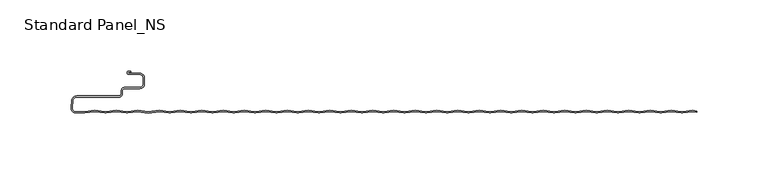
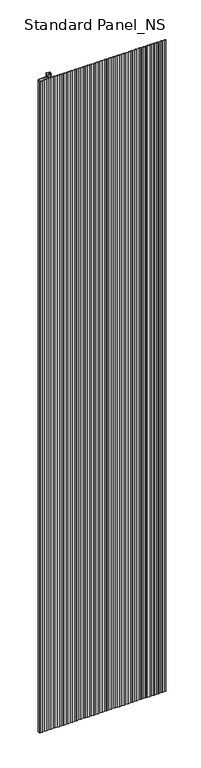
"""IFC4 building model written with IfcOpenShell, lengths in millimetres: proxy geometry, Standard Panel_NS."""

from ifc_helpers import new_model, si_unit, point, frame_2d, origin, origin_with_axes, place, context, project, spatial, polyline, circle_curve, trimmed, segment, composite_curve, outline, extrude, source, transform, mapped, element, save


def standard_panel_ns_a8bc272b(model_context):
    return source(origin(), model_context, "Body", "SweptSolid", [
        extrude(outline(composite_curve([segment(polyline([(200.9757266, -48.2311894), (203.9042607, -48.6216606), (203.9042607, -49.4287404), (200.9757266, -49.0382692), (194.0477998, -49.9619928)]), True, "CONTINUOUS"), segment(trimmed(circle_curve(frame_2d((193.4654854, -45.5946345)), 4.4060082), [point((194.0477998, -49.9619928))], [point((192.883171, -49.9619928))], False, "CARTESIAN"), True, "CONTINUOUS"), segment(polyline([(192.883171, -49.9619928), (185.9552442, -49.0382692), (179.0273174, -49.9619928)]), True, "CONTINUOUS"), segment(trimmed(circle_curve(frame_2d((178.445003, -45.5946345)), 4.4060082), [point((179.0273174, -49.9619928))], [point((177.8626885, -49.9619928))], False, "CARTESIAN"), True, "CONTINUOUS"), segment(polyline([(177.8626885, -49.9619928), (170.9347618, -49.0382692), (164.006835, -49.9619928)]), True, "CONTINUOUS"), segment(trimmed(circle_curve(frame_2d((163.4245205, -45.5946345)), 4.4060082), [point((164.006835, -49.9619928))], [point((162.8422061, -49.9619928))], False, "CARTESIAN"), True, "CONTINUOUS"), segment(polyline([(162.8422061, -49.9619928), (155.9142793, -49.0382692), (148.9863525, -49.9619928)]), True, "CONTINUOUS"), segment(trimmed(circle_curve(frame_2d((148.4040381, -45.5946345)), 4.4060082), [point((148.9863525, -49.9619928))], [point((147.8217236, -49.9619928))], False, "CARTESIAN"), True, "CONTINUOUS"), segment(polyline([(147.8217236, -49.9619928), (140.8937969, -49.0382692), (133.9658701, -49.9619928)]), True, "CONTINUOUS"), segment(trimmed(circle_curve(frame_2d((133.3835556, -45.5946345)), 4.4060082), [point((133.9658701, -49.9619928))], [point((132.8012412, -49.9619928))], False, "CARTESIAN"), True, "CONTINUOUS"), segment(polyline([(132.8012412, -49.9619928), (125.8733144, -49.0382692), (118.9453876, -49.9619928)]), True, "CONTINUOUS"), segment(trimmed(circle_curve(frame_2d((118.3630732, -45.5946345)), 4.4060082), [point((118.9453876, -49.9619928))], [point((117.7807588, -49.9619928))], False, "CARTESIAN"), True, "CONTINUOUS"), segment(polyline([(117.7807588, -49.9619928), (110.852832, -49.0382692), (103.9249052, -49.9619928)]), True, "CONTINUOUS"), segment(trimmed(circle_curve(frame_2d((103.3425907, -45.5946345)), 4.4060082), [point((103.9249052, -49.9619928))], [point((102.7602763, -49.9619928))], False, "CARTESIAN"), True, "CONTINUOUS"), segment(polyline([(102.7602763, -49.9619928), (95.8323495, -49.0382692), (88.9044227, -49.9619928)]), True, "CONTINUOUS"), segment(trimmed(circle_curve(frame_2d((88.3221083, -45.5946345)), 4.4060082), [point((88.9044227, -49.9619928))], [point((87.7397939, -49.9619928))], False, "CARTESIAN"), True, "CONTINUOUS"), segment(polyline([(87.7397939, -49.9619928), (80.8118671, -49.0382692), (73.8839403, -49.9619928)]), True, "CONTINUOUS"), segment(trimmed(circle_curve(frame_2d((73.3016259, -45.5946345)), 4.4060082), [point((73.8839403, -49.9619928))], [point((72.7193114, -49.9619928))], False, "CARTESIAN"), True, "CONTINUOUS"), segment(polyline([(72.7193114, -49.9619928), (65.7913846, -49.0382692), (58.8634578, -49.9619928)]), True, "CONTINUOUS"), segment(trimmed(circle_curve(frame_2d((58.2811434, -45.5946345)), 4.4060082), [point((58.8634578, -49.9619928))], [point((57.698829, -49.9619928))], False, "CARTESIAN"), True, "CONTINUOUS"), segment(polyline([(57.698829, -49.9619928), (50.7709022, -49.0382692), (43.8429754, -49.9619928)]), True, "CONTINUOUS"), segment(trimmed(circle_curve(frame_2d((43.260661, -45.5946345)), 4.4060082), [point((43.8429754, -49.9619928))], [point((42.6783465, -49.9619928))], False, "CARTESIAN"), True, "CONTINUOUS"), segment(polyline([(42.6783465, -49.9619928), (35.7504198, -49.0382692), (28.822493, -49.9619928)]), True, "CONTINUOUS"), segment(trimmed(circle_curve(frame_2d((28.2401785, -45.5946345)), 4.4060082), [point((28.822493, -49.9619928))], [point((27.6578641, -49.9619928))], False, "CARTESIAN"), True, "CONTINUOUS"), segment(polyline([(27.6578641, -49.9619928), (20.7299373, -49.0382692), (13.8020105, -49.9619928)]), True, "CONTINUOUS"), segment(trimmed(circle_curve(frame_2d((13.2196961, -45.5946345)), 4.4060082), [point((13.8020105, -49.9619928))], [point((12.6373816, -49.9619928))], False, "CARTESIAN"), True, "CONTINUOUS"), segment(polyline([(12.6373816, -49.9619928), (5.7094549, -49.0382692), (-1.2184719, -49.9619928)]), True, "CONTINUOUS"), segment(trimmed(circle_curve(frame_2d((-1.8007864, -45.5946345)), 4.4060082), [point((-1.2184719, -49.9619928))], [point((-2.3831008, -49.9619928))], False, "CARTESIAN"), True, "CONTINUOUS"), segment(polyline([(-2.3831008, -49.9619928), (-9.3110276, -49.0382692), (-16.2389544, -49.9619928)]), True, "CONTINUOUS"), segment(trimmed(circle_curve(frame_2d((-16.8212688, -45.5946345)), 4.4060082), [point((-16.2389544, -49.9619928))], [point((-17.4035832, -49.9619928))], False, "CARTESIAN"), True, "CONTINUOUS"), segment(polyline([(-17.4035832, -49.9619928), (-24.33151, -49.0382692), (-31.2594368, -49.9619928)]), True, "CONTINUOUS"), segment(trimmed(circle_curve(frame_2d((-31.8417513, -45.5946345)), 4.4060082), [point((-31.2594368, -49.9619928))], [point((-32.4240657, -49.9619928))], False, "CARTESIAN"), True, "CONTINUOUS"), segment(polyline([(-32.4240657, -49.9619928), (-39.3519925, -49.0382692), (-46.2799193, -49.9619928)]), True, "CONTINUOUS"), segment(trimmed(circle_curve(frame_2d((-46.8622337, -45.5946345)), 4.4060082), [point((-46.2799193, -49.9619928))], [point((-47.4445481, -49.9619928))], False, "CARTESIAN"), True, "CONTINUOUS"), segment(polyline([(-47.4445481, -49.9619928), (-54.3724749, -49.0382692), (-61.3004017, -49.9619928)]), True, "CONTINUOUS"), segment(trimmed(circle_curve(frame_2d((-61.8827161, -45.5946345)), 4.4060082), [point((-61.3004017, -49.9619928))], [point((-62.4650306, -49.9619928))], False, "CARTESIAN"), True, "CONTINUOUS"), segment(polyline([(-62.4650306, -49.9619928), (-69.3929573, -49.0382692), (-76.3208842, -49.9619928)]), True, "CONTINUOUS"), segment(trimmed(circle_curve(frame_2d((-76.9031986, -45.5946345)), 4.4060082), [point((-76.3208842, -49.9619928))], [point((-77.485513, -49.9619928))], False, "CARTESIAN"), True, "CONTINUOUS"), segment(polyline([(-77.485513, -49.9619928), (-84.4134398, -49.0382692), (-91.3413666, -49.9619928)]), True, "CONTINUOUS"), segment(trimmed(circle_curve(frame_2d((-91.923681, -45.5946345)), 4.4060082), [point((-91.3413666, -49.9619928))], [point((-92.5059955, -49.9619928))], False, "CARTESIAN"), True, "CONTINUOUS"), segment(polyline([(-92.5059955, -49.9619928), (-99.4339222, -49.0382692), (-106.361849, -49.9619928)]), True, "CONTINUOUS"), segment(trimmed(circle_curve(frame_2d((-106.9441635, -45.5946345)), 4.4060082), [point((-106.361849, -49.9619928))], [point((-107.5264779, -49.9619928))], False, "CARTESIAN"), True, "CONTINUOUS"), segment(polyline([(-107.5264779, -49.9619928), (-114.4544047, -49.0382692), (-121.3823315, -49.9619928)]), True, "CONTINUOUS"), segment(trimmed(circle_curve(frame_2d((-121.9646459, -45.5946345)), 4.4060082), [point((-121.3823315, -49.9619928))], [point((-122.5469604, -49.9619928))], False, "CARTESIAN"), True, "CONTINUOUS"), segment(polyline([(-122.5469604, -49.9619928), (-129.4748871, -49.0382692), (-136.4028139, -49.9619928)]), True, "CONTINUOUS"), segment(trimmed(circle_curve(frame_2d((-136.9851284, -45.5946345)), 4.4060082), [point((-136.4028139, -49.9619928))], [point((-137.5674428, -49.9619928))], False, "CARTESIAN"), True, "CONTINUOUS"), segment(polyline([(-137.5674428, -49.9619928), (-144.4953696, -49.0382692), (-151.4232964, -49.9619928)]), True, "CONTINUOUS"), segment(trimmed(circle_curve(frame_2d((-152.0056108, -45.5946345)), 4.4060082), [point((-151.4232964, -49.9619928))], [point((-152.5879252, -49.9619928))], False, "CARTESIAN"), True, "CONTINUOUS"), segment(polyline([(-152.5879252, -49.9619928), (-159.515852, -49.0382692), (-166.4437788, -49.9619928)]), True, "CONTINUOUS"), segment(trimmed(circle_curve(frame_2d((-167.0260933, -45.5946345)), 4.4060082), [point((-166.4437788, -49.9619928))], [point((-167.6084077, -49.9619928))], False, "CARTESIAN"), True, "CONTINUOUS"), segment(polyline([(-167.6084077, -49.9619928), (-174.5363345, -49.0382692), (-182.0465757, -50.0396347), (-189.5568169, -49.0382692), (-196.4847437, -49.9619928)]), True, "CONTINUOUS"), segment(trimmed(circle_curve(frame_2d((-197.0670581, -45.5946345)), 4.4060082), [point((-196.4847437, -49.9619928))], [point((-197.6493726, -49.9619928))], False, "CARTESIAN"), True, "CONTINUOUS"), segment(polyline([(-197.6493726, -49.9619928), (-204.5772994, -49.0382692), (-211.5052261, -49.9619928)]), True, "CONTINUOUS"), segment(trimmed(circle_curve(frame_2d((-212.0875406, -45.5946345)), 4.4060082), [point((-211.5052261, -49.9619928))], [point((-212.669855, -49.9619928))], False, "CARTESIAN"), True, "CONTINUOUS"), segment(polyline([(-212.669855, -49.9619928), (-219.5977818, -49.0382692), (-226.8154689, -50.0006275), (-232.8591806, -50.0006275)]), True, "CONTINUOUS"), segment(trimmed(circle_curve(frame_2d((-232.8591806, -46.4402183)), 3.5604092), [point((-232.8591806, -50.0006275))], [point((-236.4060388, -46.1298796))], False, "CARTESIAN"), True, "CONTINUOUS"), segment(polyline([(-236.4060388, -46.1298796), (-235.9907187, -41.3831898)]), True, "CONTINUOUS"), segment(trimmed(circle_curve(frame_2d((-232.3045986, -41.7057134)), 3.7002032), [point((-235.9907187, -41.3831898))], [point((-232.3045986, -38.0055103))], False, "CARTESIAN"), True, "CONTINUOUS"), segment(polyline([(-232.3045986, -38.0055103), (-202.67533, -38.0055103)]), True, "CONTINUOUS"), segment(trimmed(circle_curve(frame_2d((-202.67533, -36.4057064)), 1.5998039), [point((-202.67533, -38.0055103))], [point((-201.0755261, -36.4057064))], True, "CARTESIAN"), True, "CONTINUOUS"), segment(polyline([(-201.0755261, -36.4057064), (-201.0755261, -34.4057064)]), True, "CONTINUOUS"), segment(trimmed(circle_curve(frame_2d((-198.67533, -34.4057064)), 2.4001961), [point((-201.0755261, -34.4057064))], [point((-198.67533, -32.0055103))], False, "CARTESIAN"), True, "CONTINUOUS"), segment(polyline([(-198.67533, -32.0055103), (-188.0058392, -32.0055103)]), True, "CONTINUOUS"), segment(trimmed(circle_curve(frame_2d((-188.0058392, -29.6557064)), 2.3498039), [point((-188.0058392, -32.0055103))], [point((-185.6560353, -29.6557064))], True, "CARTESIAN"), True, "CONTINUOUS"), segment(polyline([(-185.6560353, -29.6557064), (-185.6560353, -25.2557048)]), True, "CONTINUOUS"), segment(trimmed(circle_curve(frame_2d((-188.0058392, -25.2557048)), 2.3498039), [point((-185.6560353, -25.2557048))], [point((-188.0058392, -22.9059009))], True, "CARTESIAN"), True, "CONTINUOUS"), segment(polyline([(-188.0058392, -22.9059009), (-195.7650669, -22.9059009)]), True, "CONTINUOUS"), segment(trimmed(circle_curve(frame_2d((-195.7650669, -21.7057056)), 1.2001953), [point((-195.7650669, -22.9059009))], [point((-195.7650669, -20.5055103))], False, "CARTESIAN"), True, "CONTINUOUS"), segment(polyline([(-195.7650669, -20.5055103), (-194.3950677, -20.5055103), (-194.3950677, -21.3055103), (-195.7650669, -21.3055103)]), True, "CONTINUOUS"), segment(trimmed(circle_curve(frame_2d((-195.7650669, -21.7057056)), 0.4001953), [point((-195.7650669, -21.3055103))], [point((-195.7650669, -22.1059009))], True, "CARTESIAN"), True, "CONTINUOUS"), segment(polyline([(-195.7650669, -22.1059009), (-188.0058392, -22.1059009)]), True, "CONTINUOUS"), segment(trimmed(circle_curve(frame_2d((-188.0058392, -25.2557048)), 3.1498039), [point((-188.0058392, -22.1059009))], [point((-184.8560353, -25.2557048))], False, "CARTESIAN"), True, "CONTINUOUS"), segment(polyline([(-184.8560353, -25.2557048), (-184.8560353, -29.6557064)]), True, "CONTINUOUS"), segment(trimmed(circle_curve(frame_2d((-188.0058392, -29.6557064)), 3.1498039), [point((-184.8560353, -29.6557064))], [point((-188.0058392, -32.8055103))], False, "CARTESIAN"), True, "CONTINUOUS"), segment(polyline([(-188.0058392, -32.8055103), (-198.67533, -32.8055103)]), True, "CONTINUOUS"), segment(trimmed(circle_curve(frame_2d((-198.67533, -34.4057064)), 1.6001961), [point((-198.67533, -32.8055103))], [point((-200.2755261, -34.4057064))], True, "CARTESIAN"), True, "CONTINUOUS"), segment(polyline([(-200.2755261, -34.4057064), (-200.2755261, -36.4057064)]), True, "CONTINUOUS"), segment(trimmed(circle_curve(frame_2d((-202.67533, -36.4057064)), 2.3998039), [point((-200.2755261, -36.4057064))], [point((-202.67533, -38.8055103))], False, "CARTESIAN"), True, "CONTINUOUS"), segment(polyline([(-202.67533, -38.8055103), (-232.3045986, -38.8055103)]), True, "CONTINUOUS"), segment(trimmed(circle_curve(frame_2d((-232.3045986, -41.7057134)), 2.9002032), [point((-232.3045986, -38.8055103))], [point((-235.1937635, -41.4529208))], True, "CARTESIAN"), True, "CONTINUOUS"), segment(polyline([(-235.1937635, -41.4529208), (-235.6090836, -46.1996106)]), True, "CONTINUOUS"), segment(trimmed(circle_curve(frame_2d((-232.8591806, -46.4402183)), 2.7604092), [point((-235.6090836, -46.1996106))], [point((-232.8591806, -49.2006275))], True, "CARTESIAN"), True, "CONTINUOUS"), segment(polyline([(-232.8591806, -49.2006275), (-226.8685673, -49.2006275), (-219.5977818, -48.2311894), (-212.564124, -49.1690104)]), True, "CONTINUOUS"), segment(trimmed(circle_curve(frame_2d((-212.0875406, -45.5946345)), 3.6060082), [point((-212.564124, -49.1690104))], [point((-211.6109571, -49.1690104))], True, "CARTESIAN"), True, "CONTINUOUS"), segment(polyline([(-211.6109571, -49.1690104), (-204.5772994, -48.2311894), (-197.5436416, -49.1690104)]), True, "CONTINUOUS"), segment(trimmed(circle_curve(frame_2d((-197.0670581, -45.5946345)), 3.6060082), [point((-197.5436416, -49.1690104))], [point((-196.5904747, -49.1690104))], True, "CARTESIAN"), True, "CONTINUOUS"), segment(polyline([(-196.5904747, -49.1690104), (-189.5568169, -48.2311894), (-182.0465757, -49.2325549), (-174.5363345, -48.2311894), (-167.5026767, -49.1690104)]), True, "CONTINUOUS"), segment(trimmed(circle_curve(frame_2d((-167.0260933, -45.5946345)), 3.6060082), [point((-167.5026767, -49.1690104))], [point((-166.5495098, -49.1690104))], True, "CARTESIAN"), True, "CONTINUOUS"), segment(polyline([(-166.5495098, -49.1690104), (-159.515852, -48.2311894), (-152.4821943, -49.1690104)]), True, "CONTINUOUS"), segment(trimmed(circle_curve(frame_2d((-152.0056108, -45.5946345)), 3.6060082), [point((-152.4821943, -49.1690104))], [point((-151.5290274, -49.1690104))], True, "CARTESIAN"), True, "CONTINUOUS"), segment(polyline([(-151.5290274, -49.1690104), (-144.4953696, -48.2311894), (-137.4617118, -49.1690104)]), True, "CONTINUOUS"), segment(trimmed(circle_curve(frame_2d((-136.9851284, -45.5946345)), 3.6060082), [point((-137.4617118, -49.1690104))], [point((-136.5085449, -49.1690104))], True, "CARTESIAN"), True, "CONTINUOUS"), segment(polyline([(-136.5085449, -49.1690104), (-129.4748871, -48.2311894), (-122.4412294, -49.1690104)]), True, "CONTINUOUS"), segment(trimmed(circle_curve(frame_2d((-121.9646459, -45.5946345)), 3.6060082), [point((-122.4412294, -49.1690104))], [point((-121.4880625, -49.1690104))], True, "CARTESIAN"), True, "CONTINUOUS"), segment(polyline([(-121.4880625, -49.1690104), (-114.4544047, -48.2311894), (-107.4207469, -49.1690104)]), True, "CONTINUOUS"), segment(trimmed(circle_curve(frame_2d((-106.9441635, -45.5946345)), 3.6060082), [point((-107.4207469, -49.1690104))], [point((-106.46758, -49.1690104))], True, "CARTESIAN"), True, "CONTINUOUS"), segment(polyline([(-106.46758, -49.1690104), (-99.4339222, -48.2311894), (-92.4002645, -49.1690104)]), True, "CONTINUOUS"), segment(trimmed(circle_curve(frame_2d((-91.923681, -45.5946345)), 3.6060082), [point((-92.4002645, -49.1690104))], [point((-91.4470976, -49.1690104))], True, "CARTESIAN"), True, "CONTINUOUS"), segment(polyline([(-91.4470976, -49.1690104), (-84.4134398, -48.2311894), (-77.379782, -49.1690104)]), True, "CONTINUOUS"), segment(trimmed(circle_curve(frame_2d((-76.9031986, -45.5946345)), 3.6060082), [point((-77.379782, -49.1690104))], [point((-76.4266151, -49.1690104))], True, "CARTESIAN"), True, "CONTINUOUS"), segment(polyline([(-76.4266151, -49.1690104), (-69.3929573, -48.2311894), (-62.3592996, -49.1690104)]), True, "CONTINUOUS"), segment(trimmed(circle_curve(frame_2d((-61.8827161, -45.5946345)), 3.6060082), [point((-62.3592996, -49.1690104))], [point((-61.4061327, -49.1690104))], True, "CARTESIAN"), True, "CONTINUOUS"), segment(polyline([(-61.4061327, -49.1690104), (-54.3724749, -48.2311894), (-47.3388172, -49.1690104)]), True, "CONTINUOUS"), segment(trimmed(circle_curve(frame_2d((-46.8622337, -45.5946345)), 3.6060082), [point((-47.3388172, -49.1690104))], [point((-46.3856502, -49.1690104))], True, "CARTESIAN"), True, "CONTINUOUS"), segment(polyline([(-46.3856502, -49.1690104), (-39.3519925, -48.2311894), (-32.3183347, -49.1690104)]), True, "CONTINUOUS"), segment(trimmed(circle_curve(frame_2d((-31.8417513, -45.5946345)), 3.6060082), [point((-32.3183347, -49.1690104))], [point((-31.3651678, -49.1690104))], True, "CARTESIAN"), True, "CONTINUOUS"), segment(polyline([(-31.3651678, -49.1690104), (-24.33151, -48.2311894), (-17.2978523, -49.1690104)]), True, "CONTINUOUS"), segment(trimmed(circle_curve(frame_2d((-16.8212688, -45.5946345)), 3.6060082), [point((-17.2978523, -49.1690104))], [point((-16.3446854, -49.1690104))], True, "CARTESIAN"), True, "CONTINUOUS"), segment(polyline([(-16.3446854, -49.1690104), (-9.3110276, -48.2311894), (-2.2773698, -49.1690104)]), True, "CONTINUOUS"), segment(trimmed(circle_curve(frame_2d((-1.8007864, -45.5946345)), 3.6060082), [point((-2.2773698, -49.1690104))], [point((-1.3242029, -49.1690104))], True, "CARTESIAN"), True, "CONTINUOUS"), segment(polyline([(-1.3242029, -49.1690104), (5.7094549, -48.2311894), (12.7431126, -49.1690104)]), True, "CONTINUOUS"), segment(trimmed(circle_curve(frame_2d((13.2196961, -45.5946345)), 3.6060082), [point((12.7431126, -49.1690104))], [point((13.6962795, -49.1690104))], True, "CARTESIAN"), True, "CONTINUOUS"), segment(polyline([(13.6962795, -49.1690104), (20.7299373, -48.2311894), (27.7635951, -49.1690104)]), True, "CONTINUOUS"), segment(trimmed(circle_curve(frame_2d((28.2401785, -45.5946345)), 3.6060082), [point((27.7635951, -49.1690104))], [point((28.716762, -49.1690104))], True, "CARTESIAN"), True, "CONTINUOUS"), segment(polyline([(28.716762, -49.1690104), (35.7504198, -48.2311894), (42.7840775, -49.1690104)]), True, "CONTINUOUS"), segment(trimmed(circle_curve(frame_2d((43.260661, -45.5946345)), 3.6060082), [point((42.7840775, -49.1690104))], [point((43.7372444, -49.1690104))], True, "CARTESIAN"), True, "CONTINUOUS"), segment(polyline([(43.7372444, -49.1690104), (50.7709022, -48.2311894), (57.80456, -49.1690104)]), True, "CONTINUOUS"), segment(trimmed(circle_curve(frame_2d((58.2811434, -45.5946345)), 3.6060082), [point((57.80456, -49.1690104))], [point((58.7577269, -49.1690104))], True, "CARTESIAN"), True, "CONTINUOUS"), segment(polyline([(58.7577269, -49.1690104), (65.7913846, -48.2311894), (72.8250424, -49.1690104)]), True, "CONTINUOUS"), segment(trimmed(circle_curve(frame_2d((73.3016259, -45.5946345)), 3.6060082), [point((72.8250424, -49.1690104))], [point((73.7782093, -49.1690104))], True, "CARTESIAN"), True, "CONTINUOUS"), segment(polyline([(73.7782093, -49.1690104), (80.8118671, -48.2311894), (87.8455248, -49.1690104)]), True, "CONTINUOUS"), segment(trimmed(circle_curve(frame_2d((88.3221083, -45.5946345)), 3.6060082), [point((87.8455248, -49.1690104))], [point((88.7986918, -49.1690104))], True, "CARTESIAN"), True, "CONTINUOUS"), segment(polyline([(88.7986918, -49.1690104), (95.8323495, -48.2311894), (102.8660073, -49.1690104)]), True, "CONTINUOUS"), segment(trimmed(circle_curve(frame_2d((103.3425907, -45.5946345)), 3.6060082), [point((102.8660073, -49.1690104))], [point((103.8191742, -49.1690104))], True, "CARTESIAN"), True, "CONTINUOUS"), segment(polyline([(103.8191742, -49.1690104), (110.852832, -48.2311894), (117.8864897, -49.1690104)]), True, "CONTINUOUS"), segment(trimmed(circle_curve(frame_2d((118.3630732, -45.5946345)), 3.6060082), [point((117.8864897, -49.1690104))], [point((118.8396566, -49.1690104))], True, "CARTESIAN"), True, "CONTINUOUS"), segment(polyline([(118.8396566, -49.1690104), (125.8733144, -48.2311894), (132.9069722, -49.1690104)]), True, "CONTINUOUS"), segment(trimmed(circle_curve(frame_2d((133.3835556, -45.5946345)), 3.6060082), [point((132.9069722, -49.1690104))], [point((133.8601391, -49.1690104))], True, "CARTESIAN"), True, "CONTINUOUS"), segment(polyline([(133.8601391, -49.1690104), (140.8937969, -48.2311894), (147.9274546, -49.1690104)]), True, "CONTINUOUS"), segment(trimmed(circle_curve(frame_2d((148.4040381, -45.5946345)), 3.6060082), [point((147.9274546, -49.1690104))], [point((148.8806215, -49.1690104))], True, "CARTESIAN"), True, "CONTINUOUS"), segment(polyline([(148.8806215, -49.1690104), (155.9142793, -48.2311894), (162.9479371, -49.1690104)]), True, "CONTINUOUS"), segment(trimmed(circle_curve(frame_2d((163.4245205, -45.5946345)), 3.6060082), [point((162.9479371, -49.1690104))], [point((163.901104, -49.1690104))], True, "CARTESIAN"), True, "CONTINUOUS"), segment(polyline([(163.901104, -49.1690104), (170.9347618, -48.2311894), (177.9684195, -49.1690104)]), True, "CONTINUOUS"), segment(trimmed(circle_curve(frame_2d((178.445003, -45.5946345)), 3.6060082), [point((177.9684195, -49.1690104))], [point((178.9215864, -49.1690104))], True, "CARTESIAN"), True, "CONTINUOUS"), segment(polyline([(178.9215864, -49.1690104), (185.9552442, -48.2311894), (192.9889019, -49.1690104)]), True, "CONTINUOUS"), segment(trimmed(circle_curve(frame_2d((193.4654854, -45.5946345)), 3.6060082), [point((192.9889019, -49.1690104))], [point((193.9420689, -49.1690104))], True, "CARTESIAN"), True, "CONTINUOUS"), segment(polyline([(193.9420689, -49.1690104), (200.9757266, -48.2311894)]), True, "CONTINUOUS")], self_intersect=False)), origin_with_axes(), (0.0, 0.0, 1.0), 2400.0),
    ])


if __name__ == "__main__":
    model = new_model("IFC4")
    model_context = context("Model", 3, world=origin())
    ifc_project = project(units=[si_unit("LENGTHUNIT", "METRE", prefix="MILLI")], contexts=[model_context])
    site = spatial("IfcSite", under=ifc_project)
    building = spatial("IfcBuilding", under=site)
    placement = place(None, origin())
    standard_panel_ns_shape = standard_panel_ns_a8bc272b(model_context)
    element("IfcBuildingElementProxy", 1, Name="Standard Panel_NS", ObjectType="Standard Panel_NS", at=placement, inside=building, context=model_context, shape_type="MappedRepresentation", body=[
        mapped(standard_panel_ns_shape, transform((0.0, 0.0, 0.0), x_axis=(1.0, 0.0, 0.0), y_axis=(0.0, 1.0, 0.0), z_axis=(0.0, 0.0, 1.0))),
    ])
    save(model, "model.ifc")
